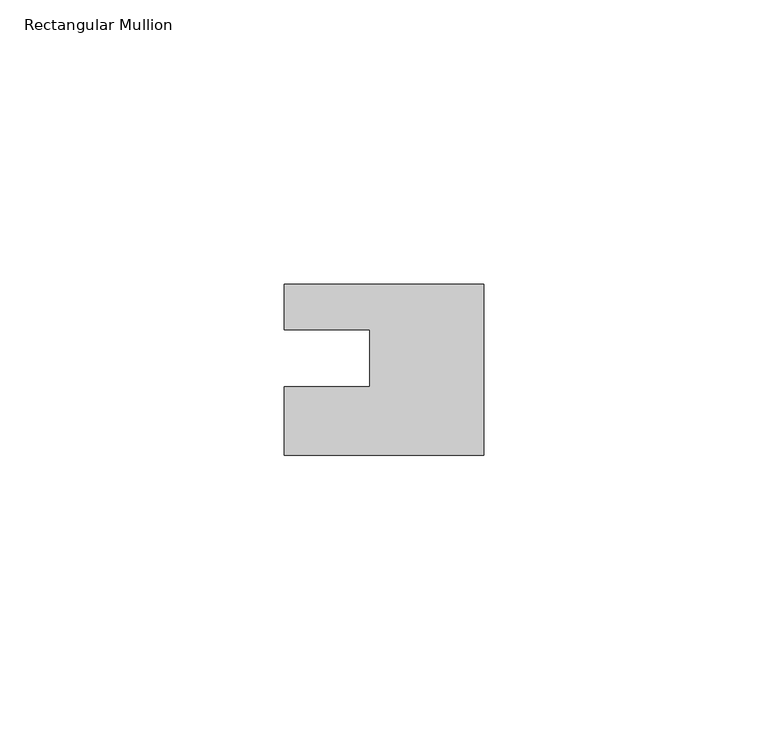
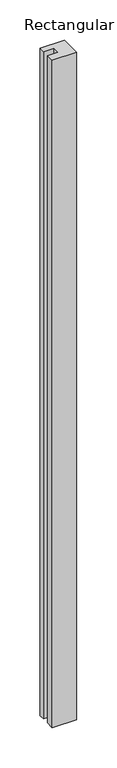
"""IFC4 building model written with IfcOpenShell, lengths in millimetres: member geometry, Rectangular Mullion."""

import ifcopenshell
import ifcopenshell.guid

model = None  # the IFC model being written
_history = None  # IfcOwnerHistory: only IFC2X3 demands one
_inside = {}  # id of a spatial element -> (the spatial element, [elements in it])
_under = {}  # id of a project, library or spatial element -> (it, [spatial elements below it])
_declared = {}  # id of a project -> (the project, [libraries it declares])
_typed = {}  # id of a type object -> (the type object, [elements of that type])
_made_of = {}  # id of a material, layer set ... -> (it, [elements and type objects made of it])


def new_model(schema):
    """Start an empty IFC model of exactly this schema.

    Asked for "IFC4X3", IfcOpenShell would pick the latest addendum, in which some entities
    have other attributes; the version numbers below select the first issue.
    IFC2X3 requires an IfcOwnerHistory on every rooted entity: one is made here for all.
    """
    global model, _history
    if schema == "IFC4X3":
        model = ifcopenshell.file(schema_version=(4, 3, 0, 0))
    else:
        model = ifcopenshell.file(schema=schema)
    _inside.clear()
    _under.clear()
    _declared.clear()
    _typed.clear()
    _made_of.clear()
    _history = None
    if model.schema == "IFC2X3":
        org = make("IfcOrganization", Name="unknown")
        user = make(
            "IfcPersonAndOrganization",
            ThePerson=make("IfcPerson", FamilyName="unknown"),
            TheOrganization=org,
        )
        app = make(
            "IfcApplication",
            ApplicationDeveloper=org,
            Version="unknown",
            ApplicationFullName="unknown",
            ApplicationIdentifier="unknown",
        )
        _history = make(
            "IfcOwnerHistory",
            OwningUser=user,
            OwningApplication=app,
            ChangeAction="ADDED",
            CreationDate=0,
        )
    return model


def make(cls, **values):
    """One entity of the class cls with the attributes given. An attribute that is None is left unset."""
    return model.create_entity(
        cls, **{name: value for name, value in values.items() if value is not None}
    )


def rooted(cls, **values):
    """An entity with a GlobalId (a new one), such as an element, a storey or a relation."""
    return make(cls, GlobalId=ifcopenshell.guid.new(), OwnerHistory=_history, **values)


def si_unit(unit_type, name, prefix=None):
    """IfcSIUnit, for example si_unit("LENGTHUNIT", "METRE", prefix="MILLI")."""
    return make("IfcSIUnit", UnitType=unit_type, Prefix=prefix, Name=name)


def assignment(units):
    """IfcUnitAssignment: the units of a project."""
    return None if units is None else make("IfcUnitAssignment", Units=units)


def point(xyz):
    """IfcCartesianPoint."""
    return None if xyz is None else make("IfcCartesianPoint", Coordinates=xyz)


def direction(xyz):
    """IfcDirection."""
    return None if xyz is None else make("IfcDirection", DirectionRatios=xyz)


def frame(location, z_axis=None, x_axis=None):
    """IfcAxis2Placement3D, a coordinate frame: its origin and axes. An axis left out is left unset."""
    return make(
        "IfcAxis2Placement3D",
        Location=point(location),
        Axis=direction(z_axis),
        RefDirection=direction(x_axis),
    )


def origin():
    """The frame at (0, 0, 0) with its axes left unset."""
    return frame((0.0, 0.0, 0.0))


def place(relative_to, where):
    """IfcLocalPlacement: puts the frame where relative to a parent placement (None: the world)."""
    return make(
        "IfcLocalPlacement", PlacementRelTo=relative_to, RelativePlacement=where
    )


def context(
    kind, dimensions, precision=None, world=None, true_north=None, identifier=None
):
    """IfcGeometricRepresentationContext, for example the 3D "Model" context."""
    return make(
        "IfcGeometricRepresentationContext",
        ContextIdentifier=identifier,
        ContextType=kind,
        CoordinateSpaceDimension=dimensions,
        Precision=precision,
        WorldCoordinateSystem=world,
        TrueNorth=true_north,
    )


def project(units=None, contexts=None):
    """IfcProject with its units and contexts."""
    return rooted(
        "IfcProject",
        Name="project",
        RepresentationContexts=contexts,
        UnitsInContext=assignment(units),
    )


def spatial(cls, under=None, at=None, **own):
    """A site, building, storey or space (cls), placed at a placement, below another one or the project."""
    s = rooted(cls, ObjectPlacement=at, **own)
    if under is not None:
        _under.setdefault(under.id(), (under, []))[1].append(s)
    return s


def polyline(points):
    """IfcPolyline through the points."""
    return make("IfcPolyline", Points=[point(p) for p in points])


def outline(outer, holes=None, kind="AREA"):
    """IfcArbitraryClosedProfileDef: a profile drawn as a closed curve; with holes, ...WithVoids."""
    if holes is None:
        return make("IfcArbitraryClosedProfileDef", ProfileType=kind, OuterCurve=outer)
    return make(
        "IfcArbitraryProfileDefWithVoids",
        ProfileType=kind,
        OuterCurve=outer,
        InnerCurves=holes,
    )


def extrude(swept, where, along, depth):
    """IfcExtrudedAreaSolid: the profile swept, set in the frame where, extruded along a direction by depth."""
    return make(
        "IfcExtrudedAreaSolid",
        SweptArea=swept,
        Position=where,
        ExtrudedDirection=direction(along),
        Depth=depth,
    )


def shape(context_of_items, identifier, shape_type, items):
    """IfcShapeRepresentation: the items that make up one representation, for example the "Body"."""
    return make(
        "IfcShapeRepresentation",
        ContextOfItems=context_of_items,
        RepresentationIdentifier=identifier,
        RepresentationType=shape_type,
        Items=items,
    )


def source(mapping_origin, context_of_items, identifier, shape_type, items):
    """IfcRepresentationMap: a shape defined once, which mapped items show again and again."""
    return make(
        "IfcRepresentationMap",
        MappingOrigin=mapping_origin,
        MappedRepresentation=shape(context_of_items, identifier, shape_type, items),
    )


def transform(
    local_origin,
    x_axis=None,
    y_axis=None,
    z_axis=None,
    scale=None,
    scale2=None,
    scale3=None,
    uniform=True,
):
    """IfcCartesianTransformationOperator3D, or its non-uniform kind. x_axis, y_axis, z_axis: its Axis1, 2, 3."""
    if uniform:
        return make(
            "IfcCartesianTransformationOperator3D",
            Axis1=direction(x_axis),
            Axis2=direction(y_axis),
            LocalOrigin=point(local_origin),
            Scale=scale,
            Axis3=direction(z_axis),
        )
    return make(
        "IfcCartesianTransformationOperator3DnonUniform",
        Axis1=direction(x_axis),
        Axis2=direction(y_axis),
        LocalOrigin=point(local_origin),
        Scale=scale,
        Axis3=direction(z_axis),
        Scale2=scale2,
        Scale3=scale3,
    )


def mapped(mapping_source, mapping_target):
    """IfcMappedItem: shows the shape of a source again, moved by a transform."""
    return make(
        "IfcMappedItem", MappingSource=mapping_source, MappingTarget=mapping_target
    )


def made_of(thing, what):
    """Note that an element or type object is made of a material, layer set ...; save() writes the relation."""
    if what is not None:
        _made_of.setdefault(what.id(), (what, []))[1].append(thing)
    return thing


def element(
    cls,
    number,
    at=None,
    inside=None,
    cuts=None,
    type_object=None,
    material=None,
    context=None,
    identifier="Body",
    shape_type=None,
    held_by="IfcProductDefinitionShape",
    body=None,
    shapes=None,
    **own,
):
    """One element of the class cls, such as IfcWall. Its Tag is "e" and its number.

    at: its placement. inside: the storey or other place that contains it. cuts: it is an
    opening in that element (IfcRelVoidsElement). A single representation is given by context,
    identifier, shape_type and body (its items); several are given by shapes. held_by: the class
    of the entity that holds the representations. save() writes the other relations.
    """
    e = rooted(cls, Tag="e%d" % number, ObjectPlacement=at, **own)
    if body is not None:
        shapes = [shape(context, identifier, shape_type, body)]
    if shapes is not None:
        e.Representation = make(held_by, Representations=shapes)
    if inside is not None:
        _inside.setdefault(inside.id(), (inside, []))[1].append(e)
    if cuts is not None:
        rooted(
            "IfcRelVoidsElement", RelatingBuildingElement=cuts, RelatedOpeningElement=e
        )
    if type_object is not None:
        _typed.setdefault(type_object.id(), (type_object, []))[1].append(e)
    return made_of(e, material)


def aggregate(whole, parts):
    """IfcRelAggregates: a whole, such as a stair, and the parts it consists of."""
    return rooted("IfcRelAggregates", RelatingObject=whole, RelatedObjects=parts)


def save(model, path):
    """Write the relations noted so far, then the file.

    IfcRelAggregates (storeys below a building ...), IfcRelContainedInSpatialStructure (elements
    in a storey), IfcRelDefinesByType, IfcRelAssociatesMaterial and IfcRelDeclares: one each for
    every whole, place, type object, material and project.
    """
    for whole, parts in _under.values():
        aggregate(whole, parts)
    for where, things in _inside.values():
        rooted(
            "IfcRelContainedInSpatialStructure",
            RelatedElements=things,
            RelatingStructure=where,
        )
    for kind, things in _typed.values():
        rooted("IfcRelDefinesByType", RelatedObjects=things, RelatingType=kind)
    for what, things in _made_of.values():
        rooted("IfcRelAssociatesMaterial", RelatedObjects=things, RelatingMaterial=what)
    for by, libraries in _declared.values():
        rooted("IfcRelDeclares", RelatingContext=by, RelatedDefinitions=libraries)
    model.write(path)


def rectangular_mullion_86d65c76(model_context):
    return source(origin(), model_context, "Body", "SweptSolid", [
        extrude(outline(polyline([(0.0, 7.94), (0.0, -22.06), (-35.0, -22.06), (-35.0, -10.0), (-20.0, -10.0), (-20.0, 0.001), (-35.0, 0.001), (-35.0, 7.94), (0.0, 7.94)])), frame((0.0, 0.0, -1010.0), z_axis=(0.0, 0.0, 1.0), x_axis=(1.0, 0.0, 0.0)), (0.0, 0.0, 1.0), 1010.0),
    ])


if __name__ == "__main__":
    model = new_model("IFC4")
    model_context = context("Model", 3, world=origin())
    ifc_project = project(units=[si_unit("LENGTHUNIT", "METRE", prefix="MILLI")], contexts=[model_context])
    site = spatial("IfcSite", under=ifc_project)
    building = spatial("IfcBuilding", under=site)
    placement = place(None, origin())
    rectangular_mullion_shape = rectangular_mullion_86d65c76(model_context)
    element("IfcMember", 1, ObjectType="Rectangular Mullion", at=placement, inside=building, context=model_context, shape_type="MappedRepresentation", body=[
        mapped(rectangular_mullion_shape, transform((0.0, 0.0, 0.0), x_axis=(1.0, 0.0, 0.0), y_axis=(0.0, 1.0, 0.0), z_axis=(0.0, 0.0, 1.0))),
    ])
    save(model, "model.ifc")
